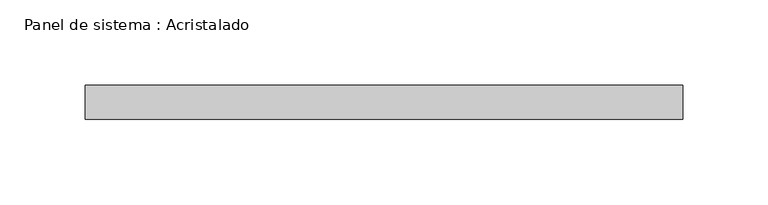
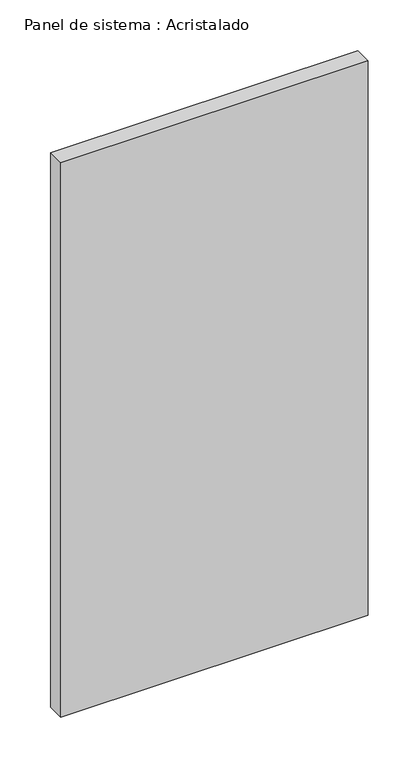
"""IFC4 building model written with IfcOpenShell, lengths in millimetres: plate geometry, Panel de sistema : Acristalado."""

import ifcopenshell
import ifcopenshell.guid

model = None  # the IFC model being written
_history = None  # IfcOwnerHistory: only IFC2X3 demands one
_inside = {}  # id of a spatial element -> (the spatial element, [elements in it])
_under = {}  # id of a project, library or spatial element -> (it, [spatial elements below it])
_declared = {}  # id of a project -> (the project, [libraries it declares])
_typed = {}  # id of a type object -> (the type object, [elements of that type])
_made_of = {}  # id of a material, layer set ... -> (it, [elements and type objects made of it])


def new_model(schema):
    """Start an empty IFC model of exactly this schema.

    Asked for "IFC4X3", IfcOpenShell would pick the latest addendum, in which some entities
    have other attributes; the version numbers below select the first issue.
    IFC2X3 requires an IfcOwnerHistory on every rooted entity: one is made here for all.
    """
    global model, _history
    if schema == "IFC4X3":
        model = ifcopenshell.file(schema_version=(4, 3, 0, 0))
    else:
        model = ifcopenshell.file(schema=schema)
    _inside.clear()
    _under.clear()
    _declared.clear()
    _typed.clear()
    _made_of.clear()
    _history = None
    if model.schema == "IFC2X3":
        org = make("IfcOrganization", Name="unknown")
        user = make(
            "IfcPersonAndOrganization",
            ThePerson=make("IfcPerson", FamilyName="unknown"),
            TheOrganization=org,
        )
        app = make(
            "IfcApplication",
            ApplicationDeveloper=org,
            Version="unknown",
            ApplicationFullName="unknown",
            ApplicationIdentifier="unknown",
        )
        _history = make(
            "IfcOwnerHistory",
            OwningUser=user,
            OwningApplication=app,
            ChangeAction="ADDED",
            CreationDate=0,
        )
    return model


def make(cls, **values):
    """One entity of the class cls with the attributes given. An attribute that is None is left unset."""
    return model.create_entity(
        cls, **{name: value for name, value in values.items() if value is not None}
    )


def rooted(cls, **values):
    """An entity with a GlobalId (a new one), such as an element, a storey or a relation."""
    return make(cls, GlobalId=ifcopenshell.guid.new(), OwnerHistory=_history, **values)


def si_unit(unit_type, name, prefix=None):
    """IfcSIUnit, for example si_unit("LENGTHUNIT", "METRE", prefix="MILLI")."""
    return make("IfcSIUnit", UnitType=unit_type, Prefix=prefix, Name=name)


def assignment(units):
    """IfcUnitAssignment: the units of a project."""
    return None if units is None else make("IfcUnitAssignment", Units=units)


def point(xyz):
    """IfcCartesianPoint."""
    return None if xyz is None else make("IfcCartesianPoint", Coordinates=xyz)


def direction(xyz):
    """IfcDirection."""
    return None if xyz is None else make("IfcDirection", DirectionRatios=xyz)


def frame(location, z_axis=None, x_axis=None):
    """IfcAxis2Placement3D, a coordinate frame: its origin and axes. An axis left out is left unset."""
    return make(
        "IfcAxis2Placement3D",
        Location=point(location),
        Axis=direction(z_axis),
        RefDirection=direction(x_axis),
    )


def origin():
    """The frame at (0, 0, 0) with its axes left unset."""
    return frame((0.0, 0.0, 0.0))


def origin_with_axes():
    """The frame at (0, 0, 0) with the z axis (0, 0, 1) and the x axis (1, 0, 0) written out."""
    return frame((0.0, 0.0, 0.0), z_axis=(0.0, 0.0, 1.0), x_axis=(1.0, 0.0, 0.0))


def place(relative_to, where):
    """IfcLocalPlacement: puts the frame where relative to a parent placement (None: the world)."""
    return make(
        "IfcLocalPlacement", PlacementRelTo=relative_to, RelativePlacement=where
    )


def context(
    kind, dimensions, precision=None, world=None, true_north=None, identifier=None
):
    """IfcGeometricRepresentationContext, for example the 3D "Model" context."""
    return make(
        "IfcGeometricRepresentationContext",
        ContextIdentifier=identifier,
        ContextType=kind,
        CoordinateSpaceDimension=dimensions,
        Precision=precision,
        WorldCoordinateSystem=world,
        TrueNorth=true_north,
    )


def project(units=None, contexts=None):
    """IfcProject with its units and contexts."""
    return rooted(
        "IfcProject",
        Name="project",
        RepresentationContexts=contexts,
        UnitsInContext=assignment(units),
    )


def spatial(cls, under=None, at=None, **own):
    """A site, building, storey or space (cls), placed at a placement, below another one or the project."""
    s = rooted(cls, ObjectPlacement=at, **own)
    if under is not None:
        _under.setdefault(under.id(), (under, []))[1].append(s)
    return s


def polyline(points):
    """IfcPolyline through the points."""
    return make("IfcPolyline", Points=[point(p) for p in points])


def outline(outer, holes=None, kind="AREA"):
    """IfcArbitraryClosedProfileDef: a profile drawn as a closed curve; with holes, ...WithVoids."""
    if holes is None:
        return make("IfcArbitraryClosedProfileDef", ProfileType=kind, OuterCurve=outer)
    return make(
        "IfcArbitraryProfileDefWithVoids",
        ProfileType=kind,
        OuterCurve=outer,
        InnerCurves=holes,
    )


def extrude(swept, where, along, depth):
    """IfcExtrudedAreaSolid: the profile swept, set in the frame where, extruded along a direction by depth."""
    return make(
        "IfcExtrudedAreaSolid",
        SweptArea=swept,
        Position=where,
        ExtrudedDirection=direction(along),
        Depth=depth,
    )


def shape(context_of_items, identifier, shape_type, items):
    """IfcShapeRepresentation: the items that make up one representation, for example the "Body"."""
    return make(
        "IfcShapeRepresentation",
        ContextOfItems=context_of_items,
        RepresentationIdentifier=identifier,
        RepresentationType=shape_type,
        Items=items,
    )


def source(mapping_origin, context_of_items, identifier, shape_type, items):
    """IfcRepresentationMap: a shape defined once, which mapped items show again and again."""
    return make(
        "IfcRepresentationMap",
        MappingOrigin=mapping_origin,
        MappedRepresentation=shape(context_of_items, identifier, shape_type, items),
    )


def transform(
    local_origin,
    x_axis=None,
    y_axis=None,
    z_axis=None,
    scale=None,
    scale2=None,
    scale3=None,
    uniform=True,
):
    """IfcCartesianTransformationOperator3D, or its non-uniform kind. x_axis, y_axis, z_axis: its Axis1, 2, 3."""
    if uniform:
        return make(
            "IfcCartesianTransformationOperator3D",
            Axis1=direction(x_axis),
            Axis2=direction(y_axis),
            LocalOrigin=point(local_origin),
            Scale=scale,
            Axis3=direction(z_axis),
        )
    return make(
        "IfcCartesianTransformationOperator3DnonUniform",
        Axis1=direction(x_axis),
        Axis2=direction(y_axis),
        LocalOrigin=point(local_origin),
        Scale=scale,
        Axis3=direction(z_axis),
        Scale2=scale2,
        Scale3=scale3,
    )


def mapped(mapping_source, mapping_target):
    """IfcMappedItem: shows the shape of a source again, moved by a transform."""
    return make(
        "IfcMappedItem", MappingSource=mapping_source, MappingTarget=mapping_target
    )


def made_of(thing, what):
    """Note that an element or type object is made of a material, layer set ...; save() writes the relation."""
    if what is not None:
        _made_of.setdefault(what.id(), (what, []))[1].append(thing)
    return thing


def element(
    cls,
    number,
    at=None,
    inside=None,
    cuts=None,
    type_object=None,
    material=None,
    context=None,
    identifier="Body",
    shape_type=None,
    held_by="IfcProductDefinitionShape",
    body=None,
    shapes=None,
    **own,
):
    """One element of the class cls, such as IfcWall. Its Tag is "e" and its number.

    at: its placement. inside: the storey or other place that contains it. cuts: it is an
    opening in that element (IfcRelVoidsElement). A single representation is given by context,
    identifier, shape_type and body (its items); several are given by shapes. held_by: the class
    of the entity that holds the representations. save() writes the other relations.
    """
    e = rooted(cls, Tag="e%d" % number, ObjectPlacement=at, **own)
    if body is not None:
        shapes = [shape(context, identifier, shape_type, body)]
    if shapes is not None:
        e.Representation = make(held_by, Representations=shapes)
    if inside is not None:
        _inside.setdefault(inside.id(), (inside, []))[1].append(e)
    if cuts is not None:
        rooted(
            "IfcRelVoidsElement", RelatingBuildingElement=cuts, RelatedOpeningElement=e
        )
    if type_object is not None:
        _typed.setdefault(type_object.id(), (type_object, []))[1].append(e)
    return made_of(e, material)


def aggregate(whole, parts):
    """IfcRelAggregates: a whole, such as a stair, and the parts it consists of."""
    return rooted("IfcRelAggregates", RelatingObject=whole, RelatedObjects=parts)


def save(model, path):
    """Write the relations noted so far, then the file.

    IfcRelAggregates (storeys below a building ...), IfcRelContainedInSpatialStructure (elements
    in a storey), IfcRelDefinesByType, IfcRelAssociatesMaterial and IfcRelDeclares: one each for
    every whole, place, type object, material and project.
    """
    for whole, parts in _under.values():
        aggregate(whole, parts)
    for where, things in _inside.values():
        rooted(
            "IfcRelContainedInSpatialStructure",
            RelatedElements=things,
            RelatingStructure=where,
        )
    for kind, things in _typed.values():
        rooted("IfcRelDefinesByType", RelatedObjects=things, RelatingType=kind)
    for what, things in _made_of.values():
        rooted("IfcRelAssociatesMaterial", RelatedObjects=things, RelatingMaterial=what)
    for by, libraries in _declared.values():
        rooted("IfcRelDeclares", RelatingContext=by, RelatedDefinitions=libraries)
    model.write(path)


def panel_de_sistema_acristalado_9c5214f6(model_context):
    return source(origin(), model_context, "Body", "SweptSolid", [
        extrude(outline(polyline([(175.0, -10.0), (-175.0, -10.0), (-175.0, 10.0), (175.0, 10.0), (175.0, -10.0)])), origin_with_axes(), (0.0, 0.0, 1.0), 667.1037779),
    ])


if __name__ == "__main__":
    model = new_model("IFC4")
    model_context = context("Model", 3, world=origin())
    ifc_project = project(units=[si_unit("LENGTHUNIT", "METRE", prefix="MILLI")], contexts=[model_context])
    site = spatial("IfcSite", under=ifc_project)
    building = spatial("IfcBuilding", under=site)
    placement = place(None, origin())
    panel_de_sistema_acristalado_shape = panel_de_sistema_acristalado_9c5214f6(model_context)
    element("IfcPlate", 1, ObjectType="Panel de sistema : Acristalado", at=placement, inside=building, context=model_context, shape_type="MappedRepresentation", body=[
        mapped(panel_de_sistema_acristalado_shape, transform((0.0, 0.0, 0.0), x_axis=(1.0, 0.0, 0.0), y_axis=(0.0, 1.0, 0.0), z_axis=(0.0, 0.0, 1.0))),
    ])
    save(model, "model.ifc")
